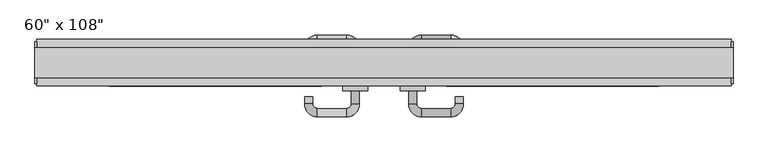
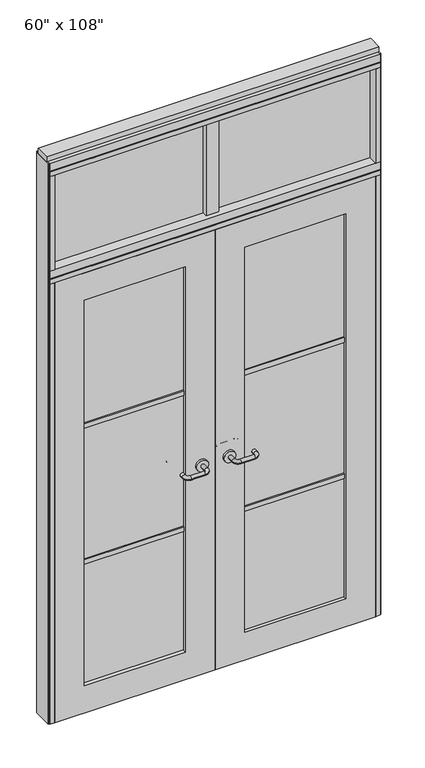
"""IFC4 building model written with IfcOpenShell, lengths in millimetres: furniture geometry."""

from ifc_helpers import new_model, si_unit, point, frame, frame_2d, origin, origin_with_axes, place, context, project, spatial, polyline, circle_curve, ellipse_curve, trimmed, segment, composite_curve, outline, extrude, source, transform, mapped, element, save
from ifc_brep_helpers import plane_surface, cylinder_surface, revolved_surface, advanced_brep


def furniture_ee265560(model_context):
    return source(origin(), model_context, "Body", "SolidModel", [
        advanced_brep(
        [(-113.8845229, -0.4537216, 1016.0), (-131.6645229, -0.4537216, 1016.0), (-113.8845229, 28.1212784, 1016.0), (-131.6645229, 28.1212784, 1016.0), (-141.8245229, 38.2812784, 1016.0), (-141.8245229, 56.0612784, 1016.0), (-233.2645229, 12.2462784, 1016.0), (-215.4845229, 12.2462784, 1016.0), (-205.3245229, 56.0612784, 1016.0), (-205.3245229, 38.2812784, 1016.0), (-215.4845229, 28.1212784, 1016.0), (-233.2645229, 28.1212784, 1016.0)],
        [
            (0, 1, circle_curve(frame((-122.7745229, -0.4537216, 1016.0), z_axis=(0.0, -1.0, 0.0), x_axis=(-1.0, 0.0, 0.0)), 8.89)),
            (1, 0, circle_curve(frame((-122.7745229, -0.4537216, 1016.0), z_axis=(0.0, -1.0, 0.0), x_axis=(-1.0, 0.0, 0.0)), 8.89)),
            (0, 2),
            (2, 3, circle_curve(frame((-122.7745229, 28.1212784, 1016.0), z_axis=(0.0, -1.0, 0.0), x_axis=(-1.0, 0.0, 0.0)), 8.89)),
            (3, 1),
            (3, 2, circle_curve(frame((-122.7745229, 28.1212784, 1016.0), z_axis=(0.0, -1.0, 0.0), x_axis=(-1.0, 0.0, 0.0)), 8.89)),
            (4, 3, circle_curve(frame((-141.8245229, 28.1212784, 1016.0), z_axis=(0.0, 0.0, -1.0), x_axis=(1.0, 0.0, 0.0)), 10.16)),
            (2, 5, circle_curve(frame((-141.8245229, 28.1212784, 1016.0), z_axis=(0.0, 0.0, 1.0), x_axis=(1.0, 0.0, 0.0)), 27.94)),
            (5, 4, circle_curve(frame((-141.8245229, 47.1712784, 1016.0), z_axis=(1.0, 0.0, 0.0), x_axis=(0.0, -1.0, 0.0)), 8.89)),
            (4, 5, circle_curve(frame((-141.8245229, 47.1712784, 1016.0), z_axis=(1.0, 0.0, 0.0), x_axis=(0.0, -1.0, 0.0)), 8.89)),
            (6, 7, circle_curve(frame((-224.3745229, 12.2462784, 1016.0), z_axis=(0.0, -1.0, 0.0), x_axis=(1.0, 0.0, 0.0)), 8.89)),
            (7, 6, circle_curve(frame((-224.3745229, 12.2462784, 1016.0), z_axis=(0.0, -1.0, 0.0), x_axis=(1.0, 0.0, 0.0)), 8.89)),
            (5, 8),
            (8, 9, circle_curve(frame((-205.3245229, 47.1712784, 1016.0), z_axis=(1.0, 0.0, 0.0), x_axis=(0.0, -1.0, 0.0)), 8.89)),
            (9, 4),
            (9, 8, circle_curve(frame((-205.3245229, 47.1712784, 1016.0), z_axis=(1.0, 0.0, 0.0), x_axis=(0.0, -1.0, 0.0)), 8.89)),
            (10, 9, circle_curve(frame((-205.3245229, 28.1212784, 1016.0), z_axis=(0.0, 0.0, -1.0), x_axis=(0.0, 1.0, 0.0)), 10.16)),
            (8, 11, circle_curve(frame((-205.3245229, 28.1212784, 1016.0), z_axis=(0.0, 0.0, 1.0), x_axis=(0.0, 1.0, 0.0)), 27.94)),
            (11, 10, circle_curve(frame((-224.3745229, 28.1212784, 1016.0), z_axis=(0.0, 1.0, 0.0), x_axis=(1.0, 0.0, 0.0)), 8.89)),
            (10, 11, circle_curve(frame((-224.3745229, 28.1212784, 1016.0), z_axis=(0.0, 1.0, 0.0), x_axis=(1.0, 0.0, 0.0)), 8.89)),
            (11, 6),
            (7, 10),
        ],
        [
            plane_surface(frame((-122.7745229, -0.4537216, 1016.0), z_axis=(0.0, -1.0, 0.0), x_axis=(0.0, 0.0, 1.0))),
            cylinder_surface(frame((-122.7745229, -0.4537216, 1016.0), z_axis=(0.0, -1.0, 0.0), x_axis=(-1.0, 0.0, 0.0)), 8.89),
            revolved_surface(trimmed(ellipse_curve(frame((-122.7745229, 28.1212784, 1016.0), z_axis=(0.0, -1.0, 0.0), x_axis=(-1.0, 0.0, 0.0)), 8.89, 8.89), [point((-113.8845229, 28.1212784, 1016.0))], [point((-131.6645229, 28.1212784, 1016.0))], True, "CARTESIAN"), (-141.8245229, 28.1212784, 1016.0), (0.0, 0.0, 1.0)),
            revolved_surface(trimmed(ellipse_curve(frame((-122.7745229, 28.1212784, 1016.0), z_axis=(0.0, -1.0, 0.0), x_axis=(-1.0, 0.0, 0.0)), 8.89, 8.89), [point((-131.6645229, 28.1212784, 1016.0))], [point((-113.8845229, 28.1212784, 1016.0))], True, "CARTESIAN"), (-141.8245229, 28.1212784, 1016.0), (0.0, 0.0, 1.0)),
            plane_surface(frame((-224.3745229, 12.2462784, 1016.0), z_axis=(0.0, -1.0, 0.0), x_axis=(0.0, 0.0, 1.0))),
            cylinder_surface(frame((-141.8245229, 47.1712784, 1016.0), z_axis=(1.0, 0.0, 0.0), x_axis=(0.0, -1.0, 0.0)), 8.89),
            revolved_surface(trimmed(ellipse_curve(frame((-205.3245229, 47.1712784, 1016.0), z_axis=(1.0, 0.0, 0.0), x_axis=(0.0, -1.0, 0.0)), 8.89, 8.89), [point((-205.3245229, 56.0612784, 1016.0))], [point((-205.3245229, 38.2812784, 1016.0))], True, "CARTESIAN"), (-205.3245229, 28.1212784, 1016.0), (0.0, 0.0, 1.0)),
            revolved_surface(trimmed(ellipse_curve(frame((-205.3245229, 47.1712784, 1016.0), z_axis=(1.0, 0.0, 0.0), x_axis=(0.0, -1.0, 0.0)), 8.89, 8.89), [point((-205.3245229, 38.2812784, 1016.0))], [point((-205.3245229, 56.0612784, 1016.0))], True, "CARTESIAN"), (-205.3245229, 28.1212784, 1016.0), (0.0, 0.0, 1.0)),
            cylinder_surface(frame((-224.3745229, 28.1212784, 1016.0), z_axis=(0.0, 1.0, 0.0), x_axis=(1.0, 0.0, 0.0)), 8.89),
        ],
        [
            (0, [[1, 2]]),
            (1, [[-1, 3, 4, 5]]),
            (1, [[-2, -5, 6, -3]]),
            (2, [[7, -4, 8, 9]]),
            (3, [[-8, -6, -7, 10]]),
            (4, [[11, 12]]),
            (5, [[-9, 13, 14, 15]]),
            (5, [[-10, -15, 16, -13]]),
            (6, [[17, -14, 18, 19]]),
            (7, [[-18, -16, -17, 20]]),
            (8, [[-19, 21, -12, 22]]),
            (8, [[-20, -22, -11, -21]]),
        ],
    ),
        extrude(outline(composite_curve([segment(trimmed(circle_curve(frame_2d((1016.0, -122.7745229)), 26.924), [point((1016.0, -95.8505229))], [point((1016.0, -149.6985229))], False, "CARTESIAN"), True, "CONTINUOUS"), segment(trimmed(circle_curve(frame_2d((1016.0, -122.7745229)), 26.924), [point((1016.0, -149.6985229))], [point((1016.0, -95.8505229))], False, "CARTESIAN"), True, "CONTINUOUS")], self_intersect=False)), frame((0.0, -10.8677216, 0.0), z_axis=(0.0, 1.0, 0.0), x_axis=(0.0, 0.0, 1.0)), (0.0, 0.0, 1.0), 10.414),
        advanced_brep(
        [(-113.8845229, -65.7317216, 1016.0), (-131.6645229, -65.7317216, 1016.0), (-131.6645229, -94.3067216, 1016.0), (-113.8845229, -94.3067216, 1016.0), (-141.8245229, -104.4667216, 1016.0), (-141.8245229, -122.2467216, 1016.0), (-233.2645229, -78.4317216, 1016.0), (-215.4845229, -78.4317216, 1016.0), (-205.3245229, -104.4667216, 1016.0), (-205.3245229, -122.2467216, 1016.0), (-215.4845229, -94.3067216, 1016.0), (-233.2645229, -94.3067216, 1016.0)],
        [
            (0, 1, circle_curve(frame((-122.7745229, -65.7317216, 1016.0), z_axis=(0.0, 1.0, 0.0), x_axis=(-1.0, 0.0, 0.0)), 8.89)),
            (1, 0, circle_curve(frame((-122.7745229, -65.7317216, 1016.0), z_axis=(0.0, 1.0, 0.0), x_axis=(-1.0, 0.0, 0.0)), 8.89)),
            (1, 2),
            (2, 3, circle_curve(frame((-122.7745229, -94.3067216, 1016.0), z_axis=(0.0, 1.0, 0.0), x_axis=(-1.0, 0.0, 0.0)), 8.89)),
            (3, 0),
            (3, 2, circle_curve(frame((-122.7745229, -94.3067216, 1016.0), z_axis=(0.0, 1.0, 0.0), x_axis=(-1.0, 0.0, 0.0)), 8.89)),
            (4, 5, circle_curve(frame((-141.8245229, -113.3567216, 1016.0), z_axis=(1.0, 0.0, 0.0), x_axis=(0.0, 1.0, 0.0)), 8.89)),
            (5, 3, circle_curve(frame((-141.8245229, -94.3067216, 1016.0), z_axis=(0.0, 0.0, 1.0), x_axis=(1.0, 0.0, 0.0)), 27.94)),
            (2, 4, circle_curve(frame((-141.8245229, -94.3067216, 1016.0), z_axis=(0.0, 0.0, -1.0), x_axis=(1.0, 0.0, 0.0)), 10.16)),
            (5, 4, circle_curve(frame((-141.8245229, -113.3567216, 1016.0), z_axis=(1.0, 0.0, 0.0), x_axis=(0.0, 1.0, 0.0)), 8.89)),
            (6, 7, circle_curve(frame((-224.3745229, -78.4317216, 1016.0), z_axis=(0.0, 1.0, 0.0), x_axis=(1.0, 0.0, 0.0)), 8.89)),
            (7, 6, circle_curve(frame((-224.3745229, -78.4317216, 1016.0), z_axis=(0.0, 1.0, 0.0), x_axis=(1.0, 0.0, 0.0)), 8.89)),
            (4, 8),
            (8, 9, circle_curve(frame((-205.3245229, -113.3567216, 1016.0), z_axis=(1.0, 0.0, 0.0), x_axis=(0.0, 1.0, 0.0)), 8.89)),
            (9, 5),
            (9, 8, circle_curve(frame((-205.3245229, -113.3567216, 1016.0), z_axis=(1.0, 0.0, 0.0), x_axis=(0.0, 1.0, 0.0)), 8.89)),
            (10, 11, circle_curve(frame((-224.3745229, -94.3067216, 1016.0), z_axis=(0.0, -1.0, 0.0), x_axis=(1.0, 0.0, 0.0)), 8.89)),
            (11, 9, circle_curve(frame((-205.3245229, -94.3067216, 1016.0), z_axis=(0.0, 0.0, 1.0), x_axis=(0.0, -1.0, 0.0)), 27.94)),
            (8, 10, circle_curve(frame((-205.3245229, -94.3067216, 1016.0), z_axis=(0.0, 0.0, -1.0), x_axis=(0.0, -1.0, 0.0)), 10.16)),
            (11, 10, circle_curve(frame((-224.3745229, -94.3067216, 1016.0), z_axis=(0.0, -1.0, 0.0), x_axis=(1.0, 0.0, 0.0)), 8.89)),
            (10, 7),
            (6, 11),
        ],
        [
            plane_surface(frame((-122.7745229, -65.7317216, 1016.0), z_axis=(0.0, 1.0, 0.0), x_axis=(0.0, 0.0, 1.0))),
            cylinder_surface(frame((-122.7745229, -65.7317216, 1016.0), z_axis=(0.0, 1.0, 0.0), x_axis=(-1.0, 0.0, 0.0)), 8.89),
            revolved_surface(trimmed(ellipse_curve(frame((-122.7745229, -94.3067216, 1016.0), z_axis=(0.0, -1.0, 0.0), x_axis=(-1.0, 0.0, 0.0)), 8.89, 8.89), [point((-113.8845229, -94.3067216, 1016.0))], [point((-131.6645229, -94.3067216, 1016.0))], True, "CARTESIAN"), (-141.8245229, -94.3067216, 1016.0), (0.0, 0.0, 1.0)),
            revolved_surface(trimmed(ellipse_curve(frame((-122.7745229, -94.3067216, 1016.0), z_axis=(0.0, -1.0, 0.0), x_axis=(-1.0, 0.0, 0.0)), 8.89, 8.89), [point((-131.6645229, -94.3067216, 1016.0))], [point((-113.8845229, -94.3067216, 1016.0))], True, "CARTESIAN"), (-141.8245229, -94.3067216, 1016.0), (0.0, 0.0, 1.0)),
            plane_surface(frame((-224.3745229, -78.4317216, 1016.0), z_axis=(0.0, 1.0, 0.0), x_axis=(0.0, 0.0, 1.0))),
            cylinder_surface(frame((-141.8245229, -113.3567216, 1016.0), z_axis=(1.0, 0.0, 0.0), x_axis=(0.0, 1.0, 0.0)), 8.89),
            revolved_surface(trimmed(ellipse_curve(frame((-205.3245229, -113.3567216, 1016.0), z_axis=(-1.0, 0.0, 0.0), x_axis=(0.0, 1.0, 0.0)), 8.89, 8.89), [point((-205.3245229, -122.2467216, 1016.0))], [point((-205.3245229, -104.4667216, 1016.0))], True, "CARTESIAN"), (-205.3245229, -94.3067216, 1016.0), (0.0, 0.0, 1.0)),
            revolved_surface(trimmed(ellipse_curve(frame((-205.3245229, -113.3567216, 1016.0), z_axis=(-1.0, 0.0, 0.0), x_axis=(0.0, 1.0, 0.0)), 8.89, 8.89), [point((-205.3245229, -104.4667216, 1016.0))], [point((-205.3245229, -122.2467216, 1016.0))], True, "CARTESIAN"), (-205.3245229, -94.3067216, 1016.0), (0.0, 0.0, 1.0)),
            cylinder_surface(frame((-224.3745229, -94.3067216, 1016.0), z_axis=(0.0, -1.0, 0.0), x_axis=(1.0, 0.0, 0.0)), 8.89),
        ],
        [
            (0, [[1, 2]]),
            (1, [[3, 4, 5, -2]]),
            (1, [[-5, 6, -3, -1]]),
            (2, [[7, 8, -4, 9]]),
            (3, [[10, -9, -6, -8]]),
            (4, [[11, 12]]),
            (5, [[13, 14, 15, -7]]),
            (5, [[-15, 16, -13, -10]]),
            (6, [[17, 18, -14, 19]]),
            (7, [[20, -19, -16, -18]]),
            (8, [[21, -11, 22, -17]]),
            (8, [[-22, -12, -21, -20]]),
        ],
    ),
        extrude(outline(composite_curve([segment(trimmed(circle_curve(frame_2d((1016.0, -122.7745229)), 26.924), [point((1016.0, -95.8505229))], [point((1016.0, -149.6985229))], False, "CARTESIAN"), True, "CONTINUOUS"), segment(trimmed(circle_curve(frame_2d((1016.0, -122.7745229)), 26.924), [point((1016.0, -149.6985229))], [point((1016.0, -95.8505229))], False, "CARTESIAN"), True, "CONTINUOUS")], self_intersect=False)), frame((0.0, -65.7317216, 0.0), z_axis=(0.0, 1.0, 0.0), x_axis=(0.0, 0.0, 1.0)), (0.0, 0.0, 1.0), 10.414),
        extrude(outline(polyline([(-196.0535229, -44.2052216), (-659.8575229, -44.2052216), (-659.8575229, -21.9802216), (-196.0535229, -21.9802216), (-196.0535229, -44.2052216)])), frame((0.0, 0.0, 1371.6), z_axis=(0.0, 0.0, 1.0), x_axis=(1.0, 0.0, 0.0)), (0.0, 0.0, 1.0), 22.225),
        extrude(outline(polyline([(-196.0535229, -44.2052216), (-659.8575229, -44.2052216), (-659.8575229, -21.9802216), (-196.0535229, -21.9802216), (-196.0535229, -44.2052216)])), frame((0.0, 0.0, 711.2), z_axis=(0.0, 0.0, 1.0), x_axis=(1.0, 0.0, 0.0)), (0.0, 0.0, 1.0), 22.225),
        extrude(outline(polyline([(-659.8575229, -38.1727216), (-659.8575229, -28.0127216), (-196.0535229, -28.0127216), (-196.0535229, -38.1727216), (-659.8575229, -38.1727216)])), frame((0.0, 0.0, 132.969), z_axis=(0.0, 0.0, 1.0), x_axis=(1.0, 0.0, 0.0)), (0.0, 0.0, 1.0), 1867.662),
        extrude(outline(polyline([(2133.6, -795.8745229), (0.0, -795.8745229), (0.0, -60.0365229), (2133.6, -60.0365229), (2133.6, -795.8745229)]), holes=[polyline([(2000.631, -659.8575229), (2000.631, -196.0535229), (132.969, -196.0535229), (132.969, -659.8575229), (2000.631, -659.8575229)])]), frame((0.0, -55.3177216, 0.0), z_axis=(0.0, 1.0, 0.0), x_axis=(0.0, 0.0, 1.0)), (0.0, 0.0, 1.0), 44.45),
        extrude(outline(polyline([(-31.4615229, -33.0927216), (-88.6115229, -33.0927216), (-88.6115229, 24.0572784), (-31.4615229, 24.0572784), (-31.4615229, -33.0927216)])), frame((0.0, 0.0, 2197.1), z_axis=(0.0, 0.0, 1.0), x_axis=(1.0, 0.0, 0.0)), (0.0, 0.0, 1.0), 457.2),
        extrude(outline(polyline([(675.8014771, -9.5977216), (-795.8745229, -9.5977216), (-795.8745229, 0.5622784), (675.8014771, 0.5622784), (675.8014771, -9.5977216)])), frame((0.0, 0.0, 2197.1), z_axis=(0.0, 0.0, 1.0), x_axis=(1.0, 0.0, 0.0)), (0.0, 0.0, 1.0), 457.2),
        advanced_brep(
        [(-6.1885229, -0.4537216, 1016.0), (11.5914771, -0.4537216, 1016.0), (11.5914771, 28.1212784, 1016.0), (-6.1885229, 28.1212784, 1016.0), (21.7514771, 38.2812784, 1016.0), (21.7514771, 56.0612784, 1016.0), (113.1914771, 12.2462784, 1016.0), (95.4114771, 12.2462784, 1016.0), (85.2514771, 38.2812784, 1016.0), (85.2514771, 56.0612784, 1016.0), (95.4114771, 28.1212784, 1016.0), (113.1914771, 28.1212784, 1016.0)],
        [
            (0, 1, circle_curve(frame((2.7014771, -0.4537216, 1016.0), z_axis=(0.0, -1.0, 0.0), x_axis=(1.0, 0.0, 0.0)), 8.89)),
            (1, 0, circle_curve(frame((2.7014771, -0.4537216, 1016.0), z_axis=(0.0, -1.0, 0.0), x_axis=(1.0, 0.0, 0.0)), 8.89)),
            (1, 2),
            (2, 3, circle_curve(frame((2.7014771, 28.1212784, 1016.0), z_axis=(0.0, -1.0, 0.0), x_axis=(1.0, 0.0, 0.0)), 8.89)),
            (3, 0),
            (3, 2, circle_curve(frame((2.7014771, 28.1212784, 1016.0), z_axis=(0.0, -1.0, 0.0), x_axis=(1.0, 0.0, 0.0)), 8.89)),
            (4, 5, circle_curve(frame((21.7514771, 47.1712784, 1016.0), z_axis=(-1.0, 0.0, 0.0), x_axis=(0.0, -1.0, 0.0)), 8.89)),
            (5, 3, circle_curve(frame((21.7514771, 28.1212784, 1016.0), z_axis=(0.0, 0.0, 1.0), x_axis=(-1.0, 0.0, 0.0)), 27.94)),
            (2, 4, circle_curve(frame((21.7514771, 28.1212784, 1016.0), z_axis=(0.0, 0.0, -1.0), x_axis=(-1.0, 0.0, 0.0)), 10.16)),
            (5, 4, circle_curve(frame((21.7514771, 47.1712784, 1016.0), z_axis=(-1.0, 0.0, 0.0), x_axis=(0.0, -1.0, 0.0)), 8.89)),
            (6, 7, circle_curve(frame((104.3014771, 12.2462784, 1016.0), z_axis=(0.0, -1.0, 0.0), x_axis=(-1.0, 0.0, 0.0)), 8.89)),
            (7, 6, circle_curve(frame((104.3014771, 12.2462784, 1016.0), z_axis=(0.0, -1.0, 0.0), x_axis=(-1.0, 0.0, 0.0)), 8.89)),
            (4, 8),
            (8, 9, circle_curve(frame((85.2514771, 47.1712784, 1016.0), z_axis=(-1.0, 0.0, 0.0), x_axis=(0.0, -1.0, 0.0)), 8.89)),
            (9, 5),
            (9, 8, circle_curve(frame((85.2514771, 47.1712784, 1016.0), z_axis=(-1.0, 0.0, 0.0), x_axis=(0.0, -1.0, 0.0)), 8.89)),
            (10, 11, circle_curve(frame((104.3014771, 28.1212784, 1016.0), z_axis=(0.0, 1.0, 0.0), x_axis=(-1.0, 0.0, 0.0)), 8.89)),
            (11, 9, circle_curve(frame((85.2514771, 28.1212784, 1016.0), z_axis=(0.0, 0.0, 1.0), x_axis=(0.0, 1.0, 0.0)), 27.94)),
            (8, 10, circle_curve(frame((85.2514771, 28.1212784, 1016.0), z_axis=(0.0, 0.0, -1.0), x_axis=(0.0, 1.0, 0.0)), 10.16)),
            (11, 10, circle_curve(frame((104.3014771, 28.1212784, 1016.0), z_axis=(0.0, 1.0, 0.0), x_axis=(-1.0, 0.0, 0.0)), 8.89)),
            (10, 7),
            (6, 11),
        ],
        [
            plane_surface(frame((2.7014771, -0.4537216, 1016.0), z_axis=(0.0, -1.0, 0.0), x_axis=(0.0, 0.0, 1.0))),
            cylinder_surface(frame((2.7014771, -0.4537216, 1016.0), z_axis=(0.0, -1.0, 0.0), x_axis=(1.0, 0.0, 0.0)), 8.89),
            revolved_surface(trimmed(ellipse_curve(frame((2.7014771, 28.1212784, 1016.0), z_axis=(0.0, 1.0, 0.0), x_axis=(1.0, 0.0, 0.0)), 8.89, 8.89), [point((-6.1885229, 28.1212784, 1016.0))], [point((11.5914771, 28.1212784, 1016.0))], True, "CARTESIAN"), (21.7514771, 28.1212784, 1016.0), (0.0, 0.0, 1.0)),
            revolved_surface(trimmed(ellipse_curve(frame((2.7014771, 28.1212784, 1016.0), z_axis=(0.0, 1.0, 0.0), x_axis=(1.0, 0.0, 0.0)), 8.89, 8.89), [point((11.5914771, 28.1212784, 1016.0))], [point((-6.1885229, 28.1212784, 1016.0))], True, "CARTESIAN"), (21.7514771, 28.1212784, 1016.0), (0.0, 0.0, 1.0)),
            plane_surface(frame((104.3014771, 12.2462784, 1016.0), z_axis=(0.0, -1.0, 0.0), x_axis=(0.0, 0.0, 1.0))),
            cylinder_surface(frame((21.7514771, 47.1712784, 1016.0), z_axis=(-1.0, 0.0, 0.0), x_axis=(0.0, -1.0, 0.0)), 8.89),
            revolved_surface(trimmed(ellipse_curve(frame((85.2514771, 47.1712784, 1016.0), z_axis=(1.0, 0.0, 0.0), x_axis=(0.0, -1.0, 0.0)), 8.89, 8.89), [point((85.2514771, 56.0612784, 1016.0))], [point((85.2514771, 38.2812784, 1016.0))], True, "CARTESIAN"), (85.2514771, 28.1212784, 1016.0), (0.0, 0.0, 1.0)),
            revolved_surface(trimmed(ellipse_curve(frame((85.2514771, 47.1712784, 1016.0), z_axis=(1.0, 0.0, 0.0), x_axis=(0.0, -1.0, 0.0)), 8.89, 8.89), [point((85.2514771, 38.2812784, 1016.0))], [point((85.2514771, 56.0612784, 1016.0))], True, "CARTESIAN"), (85.2514771, 28.1212784, 1016.0), (0.0, 0.0, 1.0)),
            cylinder_surface(frame((104.3014771, 28.1212784, 1016.0), z_axis=(0.0, 1.0, 0.0), x_axis=(-1.0, 0.0, 0.0)), 8.89),
        ],
        [
            (0, [[1, 2]]),
            (1, [[3, 4, 5, -2]]),
            (1, [[-5, 6, -3, -1]]),
            (2, [[7, 8, -4, 9]]),
            (3, [[10, -9, -6, -8]]),
            (4, [[11, 12]]),
            (5, [[13, 14, 15, -7]]),
            (5, [[-15, 16, -13, -10]]),
            (6, [[17, 18, -14, 19]]),
            (7, [[20, -19, -16, -18]]),
            (8, [[21, -11, 22, -17]]),
            (8, [[-22, -12, -21, -20]]),
        ],
    ),
        extrude(outline(composite_curve([segment(trimmed(circle_curve(frame_2d((1016.0, 2.7014771)), 26.924), [point((1016.0, -24.2225229))], [point((1016.0, 29.6254771))], False, "CARTESIAN"), True, "CONTINUOUS"), segment(trimmed(circle_curve(frame_2d((1016.0, 2.7014771)), 26.924), [point((1016.0, 29.6254771))], [point((1016.0, -24.2225229))], False, "CARTESIAN"), True, "CONTINUOUS")], self_intersect=False)), frame((0.0, -10.8677216, 0.0), z_axis=(0.0, 1.0, 0.0), x_axis=(0.0, 0.0, 1.0)), (0.0, 0.0, 1.0), 10.414),
        advanced_brep(
        [(-6.1885229, -65.7317216, 1016.0), (11.5914771, -65.7317216, 1016.0), (-6.1885229, -94.3067216, 1016.0), (11.5914771, -94.3067216, 1016.0), (21.7514771, -104.4667216, 1016.0), (21.7514771, -122.2467216, 1016.0), (113.1914771, -78.4317216, 1016.0), (95.4114771, -78.4317216, 1016.0), (85.2514771, -122.2467216, 1016.0), (85.2514771, -104.4667216, 1016.0), (95.4114771, -94.3067216, 1016.0), (113.1914771, -94.3067216, 1016.0)],
        [
            (0, 1, circle_curve(frame((2.7014771, -65.7317216, 1016.0), z_axis=(0.0, 1.0, 0.0), x_axis=(1.0, 0.0, 0.0)), 8.89)),
            (1, 0, circle_curve(frame((2.7014771, -65.7317216, 1016.0), z_axis=(0.0, 1.0, 0.0), x_axis=(1.0, 0.0, 0.0)), 8.89)),
            (0, 2),
            (2, 3, circle_curve(frame((2.7014771, -94.3067216, 1016.0), z_axis=(0.0, 1.0, 0.0), x_axis=(1.0, 0.0, 0.0)), 8.89)),
            (3, 1),
            (3, 2, circle_curve(frame((2.7014771, -94.3067216, 1016.0), z_axis=(0.0, 1.0, 0.0), x_axis=(1.0, 0.0, 0.0)), 8.89)),
            (4, 3, circle_curve(frame((21.7514771, -94.3067216, 1016.0), z_axis=(0.0, 0.0, -1.0), x_axis=(-1.0, 0.0, 0.0)), 10.16)),
            (2, 5, circle_curve(frame((21.7514771, -94.3067216, 1016.0), z_axis=(0.0, 0.0, 1.0), x_axis=(-1.0, 0.0, 0.0)), 27.94)),
            (5, 4, circle_curve(frame((21.7514771, -113.3567216, 1016.0), z_axis=(-1.0, 0.0, 0.0), x_axis=(0.0, 1.0, 0.0)), 8.89)),
            (4, 5, circle_curve(frame((21.7514771, -113.3567216, 1016.0), z_axis=(-1.0, 0.0, 0.0), x_axis=(0.0, 1.0, 0.0)), 8.89)),
            (6, 7, circle_curve(frame((104.3014771, -78.4317216, 1016.0), z_axis=(0.0, 1.0, 0.0), x_axis=(-1.0, 0.0, 0.0)), 8.89)),
            (7, 6, circle_curve(frame((104.3014771, -78.4317216, 1016.0), z_axis=(0.0, 1.0, 0.0), x_axis=(-1.0, 0.0, 0.0)), 8.89)),
            (5, 8),
            (8, 9, circle_curve(frame((85.2514771, -113.3567216, 1016.0), z_axis=(-1.0, 0.0, 0.0), x_axis=(0.0, 1.0, 0.0)), 8.89)),
            (9, 4),
            (9, 8, circle_curve(frame((85.2514771, -113.3567216, 1016.0), z_axis=(-1.0, 0.0, 0.0), x_axis=(0.0, 1.0, 0.0)), 8.89)),
            (10, 9, circle_curve(frame((85.2514771, -94.3067216, 1016.0), z_axis=(0.0, 0.0, -1.0), x_axis=(0.0, -1.0, 0.0)), 10.16)),
            (8, 11, circle_curve(frame((85.2514771, -94.3067216, 1016.0), z_axis=(0.0, 0.0, 1.0), x_axis=(0.0, -1.0, 0.0)), 27.94)),
            (11, 10, circle_curve(frame((104.3014771, -94.3067216, 1016.0), z_axis=(0.0, -1.0, 0.0), x_axis=(-1.0, 0.0, 0.0)), 8.89)),
            (10, 11, circle_curve(frame((104.3014771, -94.3067216, 1016.0), z_axis=(0.0, -1.0, 0.0), x_axis=(-1.0, 0.0, 0.0)), 8.89)),
            (11, 6),
            (7, 10),
        ],
        [
            plane_surface(frame((2.7014771, -65.7317216, 1016.0), z_axis=(0.0, 1.0, 0.0), x_axis=(0.0, 0.0, 1.0))),
            cylinder_surface(frame((2.7014771, -65.7317216, 1016.0), z_axis=(0.0, 1.0, 0.0), x_axis=(1.0, 0.0, 0.0)), 8.89),
            revolved_surface(trimmed(ellipse_curve(frame((2.7014771, -94.3067216, 1016.0), z_axis=(0.0, 1.0, 0.0), x_axis=(1.0, 0.0, 0.0)), 8.89, 8.89), [point((-6.1885229, -94.3067216, 1016.0))], [point((11.5914771, -94.3067216, 1016.0))], True, "CARTESIAN"), (21.7514771, -94.3067216, 1016.0), (0.0, 0.0, 1.0)),
            revolved_surface(trimmed(ellipse_curve(frame((2.7014771, -94.3067216, 1016.0), z_axis=(0.0, 1.0, 0.0), x_axis=(1.0, 0.0, 0.0)), 8.89, 8.89), [point((11.5914771, -94.3067216, 1016.0))], [point((-6.1885229, -94.3067216, 1016.0))], True, "CARTESIAN"), (21.7514771, -94.3067216, 1016.0), (0.0, 0.0, 1.0)),
            plane_surface(frame((104.3014771, -78.4317216, 1016.0), z_axis=(0.0, 1.0, 0.0), x_axis=(0.0, 0.0, 1.0))),
            cylinder_surface(frame((21.7514771, -113.3567216, 1016.0), z_axis=(-1.0, 0.0, 0.0), x_axis=(0.0, 1.0, 0.0)), 8.89),
            revolved_surface(trimmed(ellipse_curve(frame((85.2514771, -113.3567216, 1016.0), z_axis=(-1.0, 0.0, 0.0), x_axis=(0.0, 1.0, 0.0)), 8.89, 8.89), [point((85.2514771, -122.2467216, 1016.0))], [point((85.2514771, -104.4667216, 1016.0))], True, "CARTESIAN"), (85.2514771, -94.3067216, 1016.0), (0.0, 0.0, 1.0)),
            revolved_surface(trimmed(ellipse_curve(frame((85.2514771, -113.3567216, 1016.0), z_axis=(-1.0, 0.0, 0.0), x_axis=(0.0, 1.0, 0.0)), 8.89, 8.89), [point((85.2514771, -104.4667216, 1016.0))], [point((85.2514771, -122.2467216, 1016.0))], True, "CARTESIAN"), (85.2514771, -94.3067216, 1016.0), (0.0, 0.0, 1.0)),
            cylinder_surface(frame((104.3014771, -94.3067216, 1016.0), z_axis=(0.0, -1.0, 0.0), x_axis=(-1.0, 0.0, 0.0)), 8.89),
        ],
        [
            (0, [[1, 2]]),
            (1, [[-1, 3, 4, 5]]),
            (1, [[-2, -5, 6, -3]]),
            (2, [[7, -4, 8, 9]]),
            (3, [[-8, -6, -7, 10]]),
            (4, [[11, 12]]),
            (5, [[-9, 13, 14, 15]]),
            (5, [[-10, -15, 16, -13]]),
            (6, [[17, -14, 18, 19]]),
            (7, [[-18, -16, -17, 20]]),
            (8, [[-19, 21, -12, 22]]),
            (8, [[-20, -22, -11, -21]]),
        ],
    ),
        extrude(outline(composite_curve([segment(trimmed(circle_curve(frame_2d((1016.0, 2.7014771)), 26.924), [point((1016.0, -24.2225229))], [point((1016.0, 29.6254771))], False, "CARTESIAN"), True, "CONTINUOUS"), segment(trimmed(circle_curve(frame_2d((1016.0, 2.7014771)), 26.924), [point((1016.0, 29.6254771))], [point((1016.0, -24.2225229))], False, "CARTESIAN"), True, "CONTINUOUS")], self_intersect=False)), frame((0.0, -65.7317216, 0.0), z_axis=(0.0, 1.0, 0.0), x_axis=(0.0, 0.0, 1.0)), (0.0, 0.0, 1.0), 10.414),
        extrude(outline(polyline([(75.9804771, -44.2052216), (75.9804771, -21.9802216), (539.7844771, -21.9802216), (539.7844771, -44.2052216), (75.9804771, -44.2052216)])), frame((0.0, 0.0, 1371.6), z_axis=(0.0, 0.0, 1.0), x_axis=(1.0, 0.0, 0.0)), (0.0, 0.0, 1.0), 22.225),
        extrude(outline(polyline([(75.9804771, -44.2052216), (75.9804771, -21.9802216), (539.7844771, -21.9802216), (539.7844771, -44.2052216), (75.9804771, -44.2052216)])), frame((0.0, 0.0, 711.2), z_axis=(0.0, 0.0, 1.0), x_axis=(1.0, 0.0, 0.0)), (0.0, 0.0, 1.0), 22.225),
        extrude(outline(polyline([(539.7844771, -38.1727216), (75.9804771, -38.1727216), (75.9804771, -28.0127216), (539.7844771, -28.0127216), (539.7844771, -38.1727216)])), frame((0.0, 0.0, 132.969), z_axis=(0.0, 0.0, 1.0), x_axis=(1.0, 0.0, 0.0)), (0.0, 0.0, 1.0), 1867.662),
        extrude(outline(polyline([(2133.6, 675.8014771), (2133.6, -60.0365229), (0.0, -60.0365229), (0.0, 675.8014771), (2133.6, 675.8014771)]), holes=[polyline([(2000.631, 539.7844771), (132.969, 539.7844771), (132.969, 75.9804771), (2000.631, 75.9804771), (2000.631, 539.7844771)])]), frame((0.0, -55.3177216, 0.0), z_axis=(0.0, 1.0, 0.0), x_axis=(0.0, 0.0, 1.0)), (0.0, 0.0, 1.0), 44.45),
        extrude(outline(polyline([(-795.8745229, -55.3177216), (-818.0995229, -55.3177216), (-818.0995229, 46.2822784), (-795.8745229, 46.2822784), (-795.8745229, -55.3177216)])), frame((0.0, 0.0, 2197.1), z_axis=(0.0, 0.0, 1.0), x_axis=(1.0, 0.0, 0.0)), (0.0, 0.0, 1.0), 457.2),
        extrude(outline(polyline([(675.8014771, -55.3177216), (675.8014771, 46.2822784), (698.0264771, 46.2822784), (698.0264771, -55.3177216), (675.8014771, -55.3177216)])), frame((0.0, 0.0, 2197.1), z_axis=(0.0, 0.0, 1.0), x_axis=(1.0, 0.0, 0.0)), (0.0, 0.0, 1.0), 457.2),
        extrude(outline(polyline([(-818.0995229, -55.3177216), (-818.0995229, 46.2822784), (698.0264771, 46.2822784), (698.0264771, -55.3177216), (-818.0995229, -55.3177216)])), frame((0.0, 0.0, 2133.6), z_axis=(0.0, 0.0, 1.0), x_axis=(1.0, 0.0, 0.0)), (0.0, 0.0, 1.0), 22.225),
        extrude(outline(polyline([(-55.3177216, 2160.778), (-55.3177216, 2197.1), (46.2822784, 2197.1), (46.2822784, 2160.778), (41.3292784, 2160.778), (41.3292784, 2155.825), (-50.3647216, 2155.825), (-50.3647216, 2160.778), (-55.3177216, 2160.778)])), frame((-818.0995229, 0.0, 0.0), z_axis=(1.0, 0.0, 0.0), x_axis=(0.0, 1.0, 0.0)), (0.0, 0.0, 1.0), 1516.126),
        extrude(outline(polyline([(-818.0995229, -55.3177216), (-818.0995229, 46.2822784), (698.0264771, 46.2822784), (698.0264771, -55.3177216), (-818.0995229, -55.3177216)])), frame((0.0, 0.0, 2654.3), z_axis=(0.0, 0.0, 1.0), x_axis=(1.0, 0.0, 0.0)), (0.0, 0.0, 1.0), 22.225),
        extrude(outline(polyline([(701.9634771, -50.3647216), (698.0264771, -50.3647216), (698.0264771, 41.3292784), (701.9634771, 41.3292784), (701.9634771, -50.3647216)])), origin_with_axes(), (0.0, 0.0, 1.0), 2717.8),
        extrude(outline(polyline([(-822.0365229, -50.3647216), (-822.0365229, 41.3292784), (-818.0995229, 41.3292784), (-818.0995229, -50.3647216), (-822.0365229, -50.3647216)])), origin_with_axes(), (0.0, 0.0, 1.0), 2717.8),
        extrude(outline(polyline([(675.8014771, -55.3177216), (675.8014771, 46.2822784), (698.0264771, 46.2822784), (698.0264771, -55.3177216), (675.8014771, -55.3177216)])), origin_with_axes(), (0.0, 0.0, 1.0), 2133.6),
        extrude(outline(polyline([(-795.8745229, -55.3177216), (-818.0995229, -55.3177216), (-818.0995229, 46.2822784), (-795.8745229, 46.2822784), (-795.8745229, -55.3177216)])), origin_with_axes(), (0.0, 0.0, 1.0), 2133.6),
        extrude(outline(polyline([(-55.3177216, 2681.478), (-55.3177216, 2717.8), (46.2822784, 2717.8), (46.2822784, 2681.478), (41.3292784, 2681.478), (41.3292784, 2676.525), (-50.3647216, 2676.525), (-50.3647216, 2681.478), (-55.3177216, 2681.478)])), frame((-818.0995229, 0.0, 0.0), z_axis=(1.0, 0.0, 0.0), x_axis=(0.0, 1.0, 0.0)), (0.0, 0.0, 1.0), 1516.126),
        extrude(outline(polyline([(-822.0365229, -37.0297216), (-822.0365229, 27.9942784), (701.9634771, 27.9942784), (701.9634771, -37.0297216), (-822.0365229, -37.0297216)])), frame((0.0, 0.0, 2717.8), z_axis=(0.0, 0.0, 1.0), x_axis=(1.0, 0.0, 0.0)), (0.0, 0.0, 1.0), 25.4),
    ])


if __name__ == "__main__":
    model = new_model("IFC4")
    model_context = context("Model", 3, world=origin())
    ifc_project = project(units=[si_unit("LENGTHUNIT", "METRE", prefix="MILLI")], contexts=[model_context])
    site = spatial("IfcSite", under=ifc_project)
    building = spatial("IfcBuilding", under=site)
    placement = place(None, origin())
    furniture_shape = furniture_ee265560(model_context)
    element("IfcFurniture", 1, ObjectType="60\" x 108\"", at=placement, inside=building, context=model_context, shape_type="MappedRepresentation", body=[
        mapped(furniture_shape, transform((0.0, 0.0, 0.0), x_axis=(1.0, 0.0, 0.0), y_axis=(0.0, 1.0, 0.0), z_axis=(0.0, 0.0, 1.0))),
    ])
    save(model, "model.ifc")
